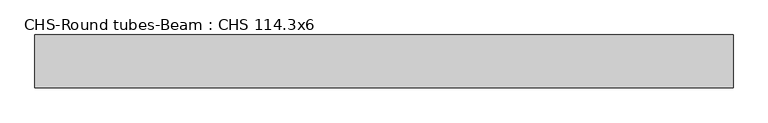
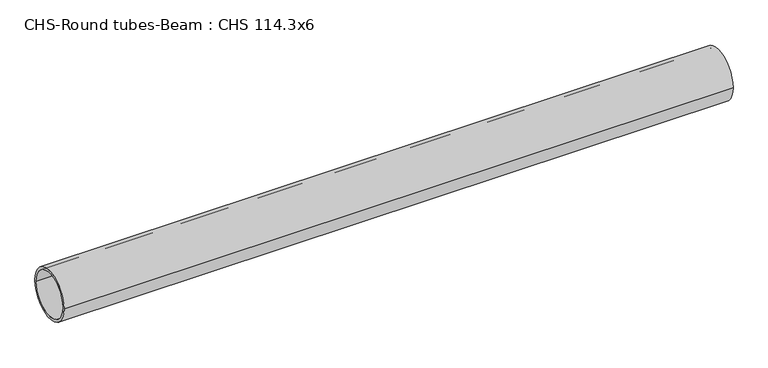
"""IFC4 building model written with IfcOpenShell, lengths in millimetres: beam geometry, CHS-Round tubes-Beam : CHS 114.3x6."""

from ifc_helpers import new_model, si_unit, point, frame, origin, origin_2d, place, context, project, spatial, circle_curve, trimmed, segment, composite_curve, outline, extrude, source, transform, mapped, element, save


def chs_round_tubes_beam_chs_114_3x6_6223817e(model_context):
    return source(origin(), model_context, "Body", "SweptSolid", [
        extrude(outline(composite_curve([segment(trimmed(circle_curve(origin_2d(), 57.15), [point((57.15, 0.0))], [point((-57.15, 0.0))], False, "CARTESIAN"), True, "CONTINUOUS"), segment(trimmed(circle_curve(origin_2d(), 57.15), [point((-57.15, 0.0))], [point((57.15, 0.0))], False, "CARTESIAN"), True, "CONTINUOUS")], self_intersect=False), holes=[composite_curve([segment(trimmed(circle_curve(origin_2d(), 51.15), [point((51.15, 0.0))], [point((-51.15, 0.0))], True, "CARTESIAN"), True, "CONTINUOUS"), segment(trimmed(circle_curve(origin_2d(), 51.15), [point((-51.15, 0.0))], [point((51.15, 0.0))], True, "CARTESIAN"), True, "CONTINUOUS")], self_intersect=False)]), frame((-744.7471048, 0.0, 0.0), z_axis=(1.0, 0.0, 0.0), x_axis=(0.0, 1.0, 0.0)), (0.0, 0.0, 1.0), 1510.010981),
    ])


if __name__ == "__main__":
    model = new_model("IFC4")
    model_context = context("Model", 3, world=origin())
    ifc_project = project(units=[si_unit("LENGTHUNIT", "METRE", prefix="MILLI")], contexts=[model_context])
    site = spatial("IfcSite", under=ifc_project)
    building = spatial("IfcBuilding", under=site)
    placement = place(None, origin())
    chs_round_tubes_beam_chs_114_3x6_shape = chs_round_tubes_beam_chs_114_3x6_6223817e(model_context)
    element("IfcBeam", 1, ObjectType="CHS-Round tubes-Beam : CHS 114.3x6", at=placement, inside=building, context=model_context, shape_type="MappedRepresentation", body=[
        mapped(chs_round_tubes_beam_chs_114_3x6_shape, transform((0.0, 0.0, 0.0), x_axis=(1.0, 0.0, 0.0), y_axis=(0.0, 1.0, 0.0), z_axis=(0.0, 0.0, 1.0))),
    ])
    save(model, "model.ifc")
